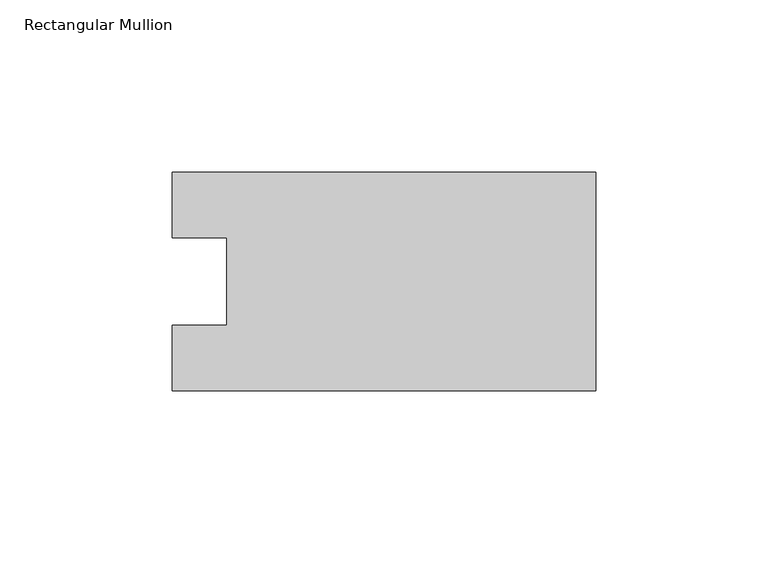
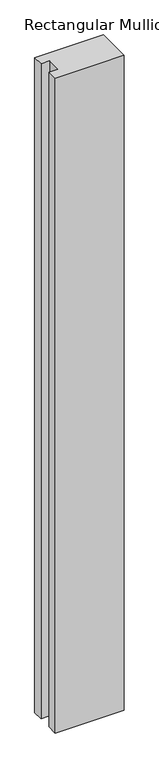
"""IFC4 building model written with IfcOpenShell, lengths in millimetres: member geometry, Rectangular Mullion."""

from ifc_helpers import new_model, si_unit, frame, origin, place, context, project, spatial, polyline, outline, extrude, source, transform, mapped, element, save


def rectangular_mullion_8bbf89d5(model_context):
    return source(origin(), model_context, "Body", "SweptSolid", [
        extrude(outline(polyline([(-122.9357968, -31.7489583), (-122.9357968, -12.7), (-107.0607968, -12.7), (-107.0607968, 12.7), (-122.9357968, 12.7), (-122.9357968, 31.7489583), (0.0, 31.7489583), (0.0, -31.7489583), (-122.9357968, -31.7489583)])), frame((0.0, 0.0, -1233.5764), z_axis=(0.0, 0.0, 1.0), x_axis=(1.0, 0.0, 0.0)), (0.0, 0.0, 1.0), 1233.5764),
    ])


if __name__ == "__main__":
    model = new_model("IFC4")
    model_context = context("Model", 3, world=origin())
    ifc_project = project(units=[si_unit("LENGTHUNIT", "METRE", prefix="MILLI")], contexts=[model_context])
    site = spatial("IfcSite", under=ifc_project)
    building = spatial("IfcBuilding", under=site)
    placement = place(None, origin())
    rectangular_mullion_shape = rectangular_mullion_8bbf89d5(model_context)
    element("IfcMember", 1, ObjectType="Rectangular Mullion", at=placement, inside=building, context=model_context, shape_type="MappedRepresentation", body=[
        mapped(rectangular_mullion_shape, transform((0.0, 0.0, 0.0), x_axis=(1.0, 0.0, 0.0), y_axis=(0.0, 1.0, 0.0), z_axis=(0.0, 0.0, 1.0))),
    ])
    save(model, "model.ifc")
